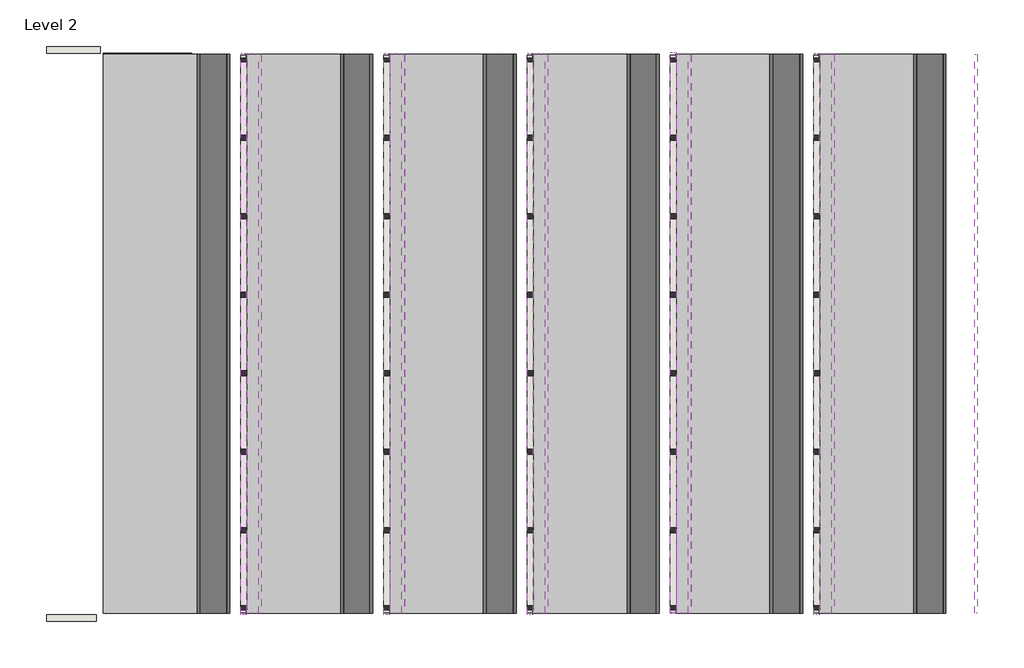
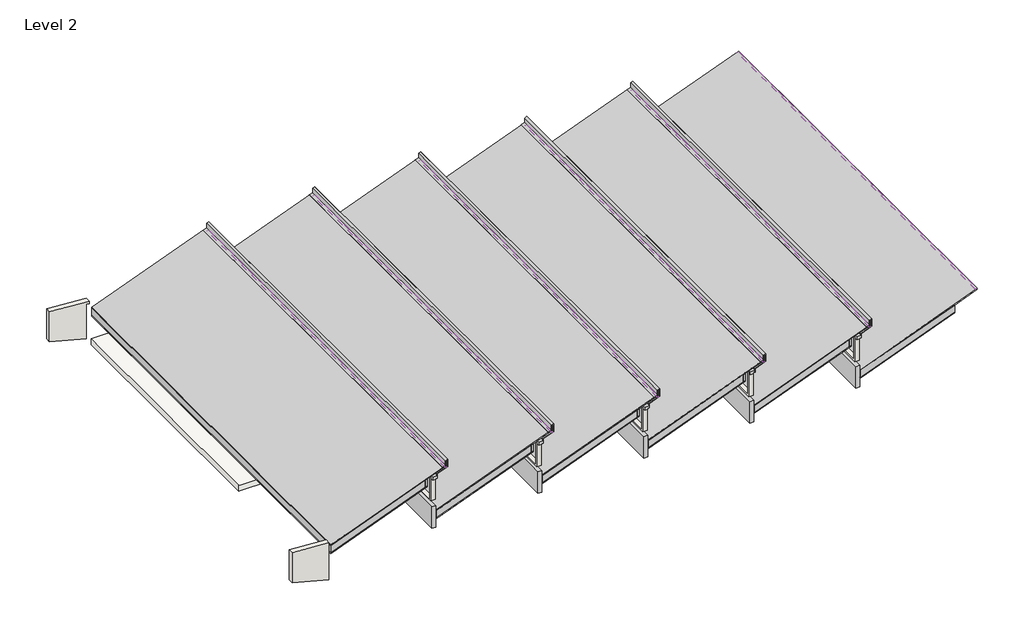
# One storey: 16 proxies, 7 roofs, 7 walls, 5 beams.
"""IFC4 building model written with IfcOpenShell, lengths in millimetres."""

import ifcopenshell
import ifcopenshell.guid

model = None  # the IFC model being written
_history = None  # IfcOwnerHistory: only IFC2X3 demands one
_inside = {}  # id of a spatial element -> (the spatial element, [elements in it])
_under = {}  # id of a project, library or spatial element -> (it, [spatial elements below it])
_declared = {}  # id of a project -> (the project, [libraries it declares])
_typed = {}  # id of a type object -> (the type object, [elements of that type])
_made_of = {}  # id of a material, layer set ... -> (it, [elements and type objects made of it])


def new_model(schema):
    """Start an empty IFC model of exactly this schema.

    Asked for "IFC4X3", IfcOpenShell would pick the latest addendum, in which some entities
    have other attributes; the version numbers below select the first issue.
    IFC2X3 requires an IfcOwnerHistory on every rooted entity: one is made here for all.
    """
    global model, _history
    if schema == "IFC4X3":
        model = ifcopenshell.file(schema_version=(4, 3, 0, 0))
    else:
        model = ifcopenshell.file(schema=schema)
    _inside.clear()
    _under.clear()
    _declared.clear()
    _typed.clear()
    _made_of.clear()
    _history = None
    if model.schema == "IFC2X3":
        org = make("IfcOrganization", Name="unknown")
        user = make(
            "IfcPersonAndOrganization",
            ThePerson=make("IfcPerson", FamilyName="unknown"),
            TheOrganization=org,
        )
        app = make(
            "IfcApplication",
            ApplicationDeveloper=org,
            Version="unknown",
            ApplicationFullName="unknown",
            ApplicationIdentifier="unknown",
        )
        _history = make(
            "IfcOwnerHistory",
            OwningUser=user,
            OwningApplication=app,
            ChangeAction="ADDED",
            CreationDate=0,
        )
    return model


def make(cls, **values):
    """One entity of the class cls with the attributes given. An attribute that is None is left unset."""
    return model.create_entity(
        cls, **{name: value for name, value in values.items() if value is not None}
    )


def rooted(cls, **values):
    """An entity with a GlobalId (a new one), such as an element, a storey or a relation."""
    return make(cls, GlobalId=ifcopenshell.guid.new(), OwnerHistory=_history, **values)


def si_unit(unit_type, name, prefix=None):
    """IfcSIUnit, for example si_unit("LENGTHUNIT", "METRE", prefix="MILLI")."""
    return make("IfcSIUnit", UnitType=unit_type, Prefix=prefix, Name=name)


def assignment(units):
    """IfcUnitAssignment: the units of a project."""
    return None if units is None else make("IfcUnitAssignment", Units=units)


def point(xyz):
    """IfcCartesianPoint."""
    return None if xyz is None else make("IfcCartesianPoint", Coordinates=xyz)


def direction(xyz):
    """IfcDirection."""
    return None if xyz is None else make("IfcDirection", DirectionRatios=xyz)


def frame(location, z_axis=None, x_axis=None):
    """IfcAxis2Placement3D, a coordinate frame: its origin and axes. An axis left out is left unset."""
    return make(
        "IfcAxis2Placement3D",
        Location=point(location),
        Axis=direction(z_axis),
        RefDirection=direction(x_axis),
    )


def origin():
    """The frame at (0, 0, 0) with its axes left unset."""
    return frame((0.0, 0.0, 0.0))


def place(relative_to, where):
    """IfcLocalPlacement: puts the frame where relative to a parent placement (None: the world)."""
    return make(
        "IfcLocalPlacement", PlacementRelTo=relative_to, RelativePlacement=where
    )


def context(
    kind, dimensions, precision=None, world=None, true_north=None, identifier=None
):
    """IfcGeometricRepresentationContext, for example the 3D "Model" context."""
    return make(
        "IfcGeometricRepresentationContext",
        ContextIdentifier=identifier,
        ContextType=kind,
        CoordinateSpaceDimension=dimensions,
        Precision=precision,
        WorldCoordinateSystem=world,
        TrueNorth=true_north,
    )


def project(units=None, contexts=None):
    """IfcProject with its units and contexts."""
    return rooted(
        "IfcProject",
        Name="project",
        RepresentationContexts=contexts,
        UnitsInContext=assignment(units),
    )


def spatial(cls, under=None, at=None, **own):
    """A site, building, storey or space (cls), placed at a placement, below another one or the project."""
    s = rooted(cls, ObjectPlacement=at, **own)
    if under is not None:
        _under.setdefault(under.id(), (under, []))[1].append(s)
    return s


def polyline(points):
    """IfcPolyline through the points."""
    return make("IfcPolyline", Points=[point(p) for p in points])


def outline(outer, holes=None, kind="AREA"):
    """IfcArbitraryClosedProfileDef: a profile drawn as a closed curve; with holes, ...WithVoids."""
    if holes is None:
        return make("IfcArbitraryClosedProfileDef", ProfileType=kind, OuterCurve=outer)
    return make(
        "IfcArbitraryProfileDefWithVoids",
        ProfileType=kind,
        OuterCurve=outer,
        InnerCurves=holes,
    )


def extrude(swept, where, along, depth):
    """IfcExtrudedAreaSolid: the profile swept, set in the frame where, extruded along a direction by depth."""
    return make(
        "IfcExtrudedAreaSolid",
        SweptArea=swept,
        Position=where,
        ExtrudedDirection=direction(along),
        Depth=depth,
    )


def faces_of(points, faces, orient=None, outer=None):
    """IfcFace entities. A face is a list of loops; a loop is a list of indices into points, from 0.

    orient and outer hold one flag for each loop. By default every Orientation is true, the
    first loop of a face is its IfcFaceOuterBound and the others are IfcFaceBound.
    """
    made = []
    for i, loops in enumerate(faces):
        bounds = []
        for j, loop in enumerate(loops):
            is_outer = j == 0 if outer is None else outer[i][j]
            bounds.append(
                make(
                    "IfcFaceOuterBound" if is_outer else "IfcFaceBound",
                    Bound=make("IfcPolyLoop", Polygon=[points[k] for k in loop]),
                    Orientation=True if orient is None else orient[i][j],
                )
            )
        made.append(make("IfcFace", Bounds=bounds))
    return made


def faceted_brep(points, faces, orient=None, outer=None, voids=None):
    """IfcFacetedBrep: a solid bounded by flat faces; with voids (closed shells), ...WithVoids."""
    shared = [point(p) for p in points]
    hull = make("IfcClosedShell", CfsFaces=faces_of(shared, faces, orient, outer))
    if voids is None:
        return make("IfcFacetedBrep", Outer=hull)
    return make(
        "IfcFacetedBrepWithVoids",
        Outer=hull,
        Voids=[
            make(cls, CfsFaces=faces_of(shared, fs, o, b)) for cls, fs, o, b in voids
        ],
    )


def shape(context_of_items, identifier, shape_type, items):
    """IfcShapeRepresentation: the items that make up one representation, for example the "Body"."""
    return make(
        "IfcShapeRepresentation",
        ContextOfItems=context_of_items,
        RepresentationIdentifier=identifier,
        RepresentationType=shape_type,
        Items=items,
    )


def source(mapping_origin, context_of_items, identifier, shape_type, items):
    """IfcRepresentationMap: a shape defined once, which mapped items show again and again."""
    return make(
        "IfcRepresentationMap",
        MappingOrigin=mapping_origin,
        MappedRepresentation=shape(context_of_items, identifier, shape_type, items),
    )


def transform(
    local_origin,
    x_axis=None,
    y_axis=None,
    z_axis=None,
    scale=None,
    scale2=None,
    scale3=None,
    uniform=True,
):
    """IfcCartesianTransformationOperator3D, or its non-uniform kind. x_axis, y_axis, z_axis: its Axis1, 2, 3."""
    if uniform:
        return make(
            "IfcCartesianTransformationOperator3D",
            Axis1=direction(x_axis),
            Axis2=direction(y_axis),
            LocalOrigin=point(local_origin),
            Scale=scale,
            Axis3=direction(z_axis),
        )
    return make(
        "IfcCartesianTransformationOperator3DnonUniform",
        Axis1=direction(x_axis),
        Axis2=direction(y_axis),
        LocalOrigin=point(local_origin),
        Scale=scale,
        Axis3=direction(z_axis),
        Scale2=scale2,
        Scale3=scale3,
    )


def mapped(mapping_source, mapping_target):
    """IfcMappedItem: shows the shape of a source again, moved by a transform."""
    return make(
        "IfcMappedItem", MappingSource=mapping_source, MappingTarget=mapping_target
    )


def made_of(thing, what):
    """Note that an element or type object is made of a material, layer set ...; save() writes the relation."""
    if what is not None:
        _made_of.setdefault(what.id(), (what, []))[1].append(thing)
    return thing


def element(
    cls,
    number,
    at=None,
    inside=None,
    cuts=None,
    type_object=None,
    material=None,
    context=None,
    identifier="Body",
    shape_type=None,
    held_by="IfcProductDefinitionShape",
    body=None,
    shapes=None,
    **own,
):
    """One element of the class cls, such as IfcWall. Its Tag is "e" and its number.

    at: its placement. inside: the storey or other place that contains it. cuts: it is an
    opening in that element (IfcRelVoidsElement). A single representation is given by context,
    identifier, shape_type and body (its items); several are given by shapes. held_by: the class
    of the entity that holds the representations. save() writes the other relations.
    """
    e = rooted(cls, Tag="e%d" % number, ObjectPlacement=at, **own)
    if body is not None:
        shapes = [shape(context, identifier, shape_type, body)]
    if shapes is not None:
        e.Representation = make(held_by, Representations=shapes)
    if inside is not None:
        _inside.setdefault(inside.id(), (inside, []))[1].append(e)
    if cuts is not None:
        rooted(
            "IfcRelVoidsElement", RelatingBuildingElement=cuts, RelatedOpeningElement=e
        )
    if type_object is not None:
        _typed.setdefault(type_object.id(), (type_object, []))[1].append(e)
    return made_of(e, material)


def aggregate(whole, parts):
    """IfcRelAggregates: a whole, such as a stair, and the parts it consists of."""
    return rooted("IfcRelAggregates", RelatingObject=whole, RelatedObjects=parts)


def save(model, path):
    """Write the relations noted so far, then the file.

    IfcRelAggregates (storeys below a building ...), IfcRelContainedInSpatialStructure (elements
    in a storey), IfcRelDefinesByType, IfcRelAssociatesMaterial and IfcRelDeclares: one each for
    every whole, place, type object, material and project.
    """
    for whole, parts in _under.values():
        aggregate(whole, parts)
    for where, things in _inside.values():
        rooted(
            "IfcRelContainedInSpatialStructure",
            RelatedElements=things,
            RelatingStructure=where,
        )
    for kind, things in _typed.values():
        rooted("IfcRelDefinesByType", RelatedObjects=things, RelatingType=kind)
    for what, things in _made_of.values():
        rooted("IfcRelAssociatesMaterial", RelatedObjects=things, RelatingMaterial=what)
    for by, libraries in _declared.values():
        rooted("IfcRelDeclares", RelatingContext=by, RelatedDefinitions=libraries)
    model.write(path)


def glulam_western_species_3_125x18_1ad58a0e(model_context):
    return source(origin(), model_context, "Body", "SweptSolid", [
        extrude(outline(polyline([(4149.7074774, 39.6875), (4149.7074774, -39.6875), (-4149.7074774, -39.6875), (-4149.7074774, 39.6875), (4149.7074774, 39.6875)])), frame((0.0, 0.0, -228.6), z_axis=(0.0, 0.0, 1.0), x_axis=(1.0, 0.0, 0.0)), (0.0, 0.0, 1.0), 457.2),
    ])


def glulam_western_species_3_125x18_0cab02f5(model_context):
    return source(origin(), model_context, "Body", "SweptSolid", [
        extrude(outline(polyline([(4149.6899548, 39.6875), (4149.6899548, -39.6875), (-4149.6899548, -39.6875), (-4149.6899548, 39.6875), (4149.6899548, 39.6875)])), frame((0.0, 0.0, -228.6), z_axis=(0.0, 0.0, 1.0), x_axis=(1.0, 0.0, 0.0)), (0.0, 0.0, 1.0), 457.2),
    ])


def clerestory_3x4_rabbet_clerestory_3x4_rabbet_1a866c63(model_context):
    return source(origin(), model_context, "Body", "SweptSolid", [
        extrude(outline(polyline([(0.0, 88.9), (0.0, 0.0), (-63.5, 0.0), (-63.5, 57.15), (-47.625, 57.15), (-47.625, 88.9), (0.0, 88.9)])), frame((0.0, -4178.3, 0.0), z_axis=(0.0, 1.0, 0.0), x_axis=(0.0, 0.0, 1.0)), (0.0, 0.0, 1.0), 8356.6),
    ])


model = new_model("IFC4")

# Units and contexts
model_context = context("Model", 3, world=origin())
ifc_project = project(units=[si_unit("LENGTHUNIT", "METRE", prefix="MILLI")], contexts=[model_context])

# Site, building, storey
site = spatial("IfcSite", under=ifc_project)
building = spatial("IfcBuilding", under=site)
storey = spatial("IfcBuildingStorey", under=building, Name="Level 2", Elevation=3048.0)

# Beams
placement = place(None, origin())
glulam_western_species_3_125x18_shape = glulam_western_species_3_125x18_1ad58a0e(model_context)
element("IfcBeam", 1, ObjectType="Glulam-Western Species : 3.125x18", at=placement, inside=storey, context=model_context, shape_type="MappedRepresentation", body=[
    mapped(glulam_western_species_3_125x18_shape, transform((16142.8155483, -5322.5069654, 3565.4869205), x_axis=(0.0, -1.0, 0.0), y_axis=(1.0, 0.0, 0.0), z_axis=(0.0, 0.0, 1.0))),
])
element("IfcBeam", 2, ObjectType="Glulam-Western Species : 3.125x18", at=placement, inside=storey, context=model_context, shape_type="MappedRepresentation", body=[
    mapped(glulam_western_species_3_125x18_shape, transform((18276.4155483, -5322.5069654, 3565.4869205), x_axis=(0.0, -1.0, 0.0), y_axis=(1.0, 0.0, 0.0), z_axis=(0.0, 0.0, 1.0))),
])
element("IfcBeam", 3, ObjectType="Glulam-Western Species : 3.125x18", at=placement, inside=storey, context=model_context, shape_type="MappedRepresentation", body=[
    mapped(glulam_western_species_3_125x18_shape, transform((14009.2155483, -5322.5069654, 3565.4869205), x_axis=(0.0, -1.0, 0.0), y_axis=(1.0, 0.0, 0.0), z_axis=(0.0, 0.0, 1.0))),
])
glulam_western_species_3_125x18_2_shape = glulam_western_species_3_125x18_0cab02f5(model_context)
element("IfcBeam", 4, ObjectType="Glulam-Western Species : 3.125x18", at=placement, inside=storey, context=model_context, shape_type="MappedRepresentation", body=[
    mapped(glulam_western_species_3_125x18_2_shape, transform((11875.6155483, -5322.524488, 3565.4869205), x_axis=(0.0, -1.0, 0.0), y_axis=(1.0, 0.0, 0.0), z_axis=(0.0, 0.0, 1.0))),
])
element("IfcBeam", 5, ObjectType="Glulam-Western Species : 3.125x18", at=placement, inside=storey, context=model_context, shape_type="MappedRepresentation", body=[
    mapped(glulam_western_species_3_125x18_2_shape, transform((9742.0155483, -5322.524488, 3565.4869205), x_axis=(0.0, -1.0, 0.0), y_axis=(1.0, 0.0, 0.0), z_axis=(0.0, 0.0, 1.0))),
])

# Proxies
element("IfcBuildingElementProxy", 6, Name="Mass", at=placement, inside=storey, context=model_context, shape_type="SolidModel", body=[
    extrude(outline(polyline([(3541.1142476, 14048.9030483), (3524.115796, 14048.9030483), (4270.9968178, 15999.939187), (4287.9952694, 15999.939187), (3541.1142476, 14048.9030483)])), frame((0.0, -9484.9144428, 0.0), z_axis=(0.0, 1.0, 0.0), x_axis=(0.0, 0.0, 1.0)), (0.0, 0.0, 1.0), 8324.85),
    extrude(outline(polyline([(3690.700622, 14048.9030483), (3541.1142476, 14048.9030483), (4287.9952694, 15999.939187), (4437.5816439, 15999.939187), (3690.700622, 14048.9030483)])), frame((0.0, -9484.9144428, 0.0), z_axis=(0.0, 1.0, 0.0), x_axis=(0.0, 0.0, 1.0)), (0.0, 0.0, 1.0), 8324.85),
    faceted_brep([(14048.9030483, -1160.0644428, 3711.098764), (14048.9030483, -9484.9144428, 3711.098764), (16370.9807474, -9484.9144428, 4600.0191332), (16370.9807474, -1160.0644428, 4600.0191332), (14048.9030483, -9484.9144428, 3690.700622), (14048.9030483, -1160.0644428, 3690.700622), (15999.939187, -1160.0644428, 4437.5816439), (16370.9807474, -1160.0644428, 4579.6209912), (16370.9807474, -9484.9144428, 4579.6209912), (15999.939187, -9484.9144428, 4437.5816439)], [[[0, 1, 2, 3]], [[4, 5, 6, 7, 8, 9]], [[5, 0, 3, 7, 6]], [[1, 4, 9, 8, 2]], [[1, 0, 5, 4]], [[3, 2, 8, 7]]]),
])
element("IfcBuildingElementProxy", 7, Name="Mass", at=placement, inside=storey, context=model_context, shape_type="SolidModel", body=[
    extrude(outline(polyline([(3540.9744635, 18316.1030483), (3523.9760118, 18316.1030483), (4250.802965, 20214.7530483), (4267.8014166, 20214.7530483), (3540.9744635, 18316.1030483)])), frame((0.0, -9484.9144428, 0.0), z_axis=(0.0, 1.0, 0.0), x_axis=(0.0, 0.0, 1.0)), (0.0, 0.0, 1.0), 8324.85),
    extrude(outline(polyline([(3690.5608379, 18316.1030483), (3540.9744635, 18316.1030483), (4267.8014166, 20214.7530483), (4417.387791, 20214.7530483), (3690.5608379, 18316.1030483)])), frame((0.0, -9484.9144428, 0.0), z_axis=(0.0, 1.0, 0.0), x_axis=(0.0, 0.0, 1.0)), (0.0, 0.0, 1.0), 8324.85),
    faceted_brep([(18316.1030483, -1160.0644428, 3710.9589799), (18316.1030483, -9484.9144428, 3710.9589799), (20674.6932474, -9484.9144428, 4613.8567905), (20674.6932474, -1160.0644428, 4613.8567905), (18316.1030483, -9484.9144428, 3690.5608379), (18316.1030483, -1160.0644428, 3690.5608379), (20214.7530483, -1160.0644428, 4417.387791), (20674.6932474, -1160.0644428, 4593.4586485), (20674.6932474, -9484.9144428, 4593.4586485), (20214.7530483, -9484.9144428, 4417.387791)], [[[0, 1, 2, 3]], [[4, 5, 6, 7, 8, 9]], [[5, 0, 3, 7, 6]], [[1, 4, 9, 8, 2]], [[1, 0, 5, 4]], [[3, 2, 8, 7]]]),
])
element("IfcBuildingElementProxy", 8, Name="Mass", at=placement, inside=storey, context=model_context, shape_type="SolidModel", body=[
    extrude(outline(polyline([(3541.1142476, 16182.5030483), (3524.115796, 16182.5030483), (4270.9968178, 18133.539187), (4287.9952694, 18133.539187), (3541.1142476, 16182.5030483)])), frame((0.0, -9484.9144428, 0.0), z_axis=(0.0, 1.0, 0.0), x_axis=(0.0, 0.0, 1.0)), (0.0, 0.0, 1.0), 8324.85),
    extrude(outline(polyline([(3690.700622, 16182.5030483), (3541.1142476, 16182.5030483), (4287.9952694, 18133.539187), (4437.5816439, 18133.539187), (3690.700622, 16182.5030483)])), frame((0.0, -9484.9144428, 0.0), z_axis=(0.0, 1.0, 0.0), x_axis=(0.0, 0.0, 1.0)), (0.0, 0.0, 1.0), 8324.85),
    faceted_brep([(16182.5030483, -1160.0644428, 3711.098764), (16182.5030483, -9484.9144428, 3711.098764), (18504.5807474, -9484.9144428, 4600.0191332), (18504.5807474, -1160.0644428, 4600.0191332), (16182.5030483, -9484.9144428, 3690.700622), (16182.5030483, -1160.0644428, 3690.700622), (18133.539187, -1160.0644428, 4437.5816439), (18504.5807474, -1160.0644428, 4579.6209912), (18504.5807474, -9484.9144428, 4579.6209912), (18133.539187, -9484.9144428, 4437.5816439)], [[[0, 1, 2, 3]], [[4, 5, 6, 7, 8, 9]], [[5, 0, 3, 7, 6]], [[1, 4, 9, 8, 2]], [[1, 0, 5, 4]], [[3, 2, 8, 7]]]),
])
element("IfcBuildingElementProxy", 9, Name="Mass", at=placement, inside=storey, context=model_context, shape_type="SolidModel", body=[
    extrude(outline(polyline([(3541.1142476, 11915.3030483), (3524.115796, 11915.3030483), (4270.9968178, 13866.339187), (4287.9952694, 13866.339187), (3541.1142476, 11915.3030483)])), frame((0.0, -9484.9144428, 0.0), z_axis=(0.0, 1.0, 0.0), x_axis=(0.0, 0.0, 1.0)), (0.0, 0.0, 1.0), 8324.85),
    extrude(outline(polyline([(3690.700622, 11915.3030483), (3541.1142476, 11915.3030483), (4287.9952694, 13866.339187), (4437.5816439, 13866.339187), (3690.700622, 11915.3030483)])), frame((0.0, -9484.9144428, 0.0), z_axis=(0.0, 1.0, 0.0), x_axis=(0.0, 0.0, 1.0)), (0.0, 0.0, 1.0), 8324.85),
    faceted_brep([(11915.3030483, -1160.0644428, 3711.098764), (11915.3030483, -9484.9144428, 3711.098764), (14237.3807474, -9484.9144428, 4600.0191332), (14237.3807474, -1160.0644428, 4600.0191332), (11915.3030483, -9484.9144428, 3690.700622), (11915.3030483, -1160.0644428, 3690.700622), (13866.339187, -1160.0644428, 4437.5816439), (14237.3807474, -1160.0644428, 4579.6209912), (14237.3807474, -9484.9144428, 4579.6209912), (13866.339187, -9484.9144428, 4437.5816439)], [[[0, 1, 2, 3]], [[4, 5, 6, 7, 8, 9]], [[5, 0, 3, 7, 6]], [[1, 4, 9, 8, 2]], [[1, 0, 5, 4]], [[3, 2, 8, 7]]]),
])
element("IfcBuildingElementProxy", 10, Name="Mass", at=placement, inside=storey, context=model_context, shape_type="SolidModel", body=[
    extrude(outline(polyline([(3541.1142476, 9781.7030483), (3524.115796, 9781.7030483), (4270.9968178, 11732.739187), (4287.9952694, 11732.739187), (3541.1142476, 9781.7030483)])), frame((0.0, -9484.9144428, 0.0), z_axis=(0.0, 1.0, 0.0), x_axis=(0.0, 0.0, 1.0)), (0.0, 0.0, 1.0), 8324.85),
    extrude(outline(polyline([(3690.700622, 9781.7030483), (3541.1142476, 9781.7030483), (4287.9952694, 11732.739187), (4437.5816439, 11732.739187), (3690.700622, 9781.7030483)])), frame((0.0, -9484.9144428, 0.0), z_axis=(0.0, 1.0, 0.0), x_axis=(0.0, 0.0, 1.0)), (0.0, 0.0, 1.0), 8324.85),
    faceted_brep([(9781.7030483, -1160.0644428, 3711.098764), (9781.7030483, -9484.9144428, 3711.098764), (12103.7807474, -9484.9144428, 4600.0191332), (12103.7807474, -1160.0644428, 4600.0191332), (9781.7030483, -9484.9144428, 3690.700622), (9781.7030483, -1160.0644428, 3690.700622), (11732.739187, -1160.0644428, 4437.5816439), (12103.7807474, -1160.0644428, 4579.6209912), (12103.7807474, -9484.9144428, 4579.6209912), (11732.739187, -9484.9144428, 4437.5816439)], [[[0, 1, 2, 3]], [[4, 5, 6, 7, 8, 9]], [[5, 0, 3, 7, 6]], [[1, 4, 9, 8, 2]], [[1, 0, 5, 4]], [[3, 2, 8, 7]]]),
])
element("IfcBuildingElementProxy", 11, Name="Mass", at=placement, inside=storey, context=model_context, shape_type="SolidModel", body=[
    extrude(outline(polyline([(3544.7605367, 7657.6280483), (3527.762085, 7657.6280483), (4270.9968178, 9599.139187), (4287.9952694, 9599.139187), (3544.7605367, 7657.6280483)])), frame((0.0, -9484.9144428, 0.0), z_axis=(0.0, 1.0, 0.0), x_axis=(0.0, 0.0, 1.0)), (0.0, 0.0, 1.0), 8324.85),
    extrude(outline(polyline([(3694.3469111, 7657.6280483), (3544.7605367, 7657.6280483), (4287.9952694, 9599.139187), (4437.5816439, 9599.139187), (3694.3469111, 7657.6280483)])), frame((0.0, -9484.9144428, 0.0), z_axis=(0.0, 1.0, 0.0), x_axis=(0.0, 0.0, 1.0)), (0.0, 0.0, 1.0), 8324.85),
    faceted_brep([(7657.6280483, -1160.0644428, 3714.745053), (7657.6280483, -9484.9144428, 3714.745053), (9970.1807474, -9484.9144428, 4600.0191332), (9970.1807474, -1160.0644428, 4600.0191332), (7657.6280483, -9484.9144428, 3694.3469111), (7657.6280483, -1160.0644428, 3694.3469111), (9599.139187, -1160.0644428, 4437.5816439), (9970.1807474, -1160.0644428, 4579.6209912), (9970.1807474, -9484.9144428, 4579.6209912), (9599.139187, -9484.9144428, 4437.5816439)], [[[0, 1, 2, 3]], [[4, 5, 6, 7, 8, 9]], [[5, 0, 3, 7, 6]], [[1, 4, 9, 8, 2]], [[1, 0, 5, 4]], [[3, 2, 8, 7]]]),
])
clerestory_3x4_rabbet_clerestory_3x4_rabbet_shape = clerestory_3x4_rabbet_clerestory_3x4_rabbet_1a866c63(model_context)
element("IfcBuildingElementProxy", 12, Name="CLERESTORY 3X4 RABBET : CLERESTORY 3X4 RABBET", ObjectType="CLERESTORY 3X4 RABBET : CLERESTORY 3X4 RABBET", at=placement, inside=storey, context=model_context, shape_type="MappedRepresentation", body=[
    mapped(clerestory_3x4_rabbet_clerestory_3x4_rabbet_shape, transform((16103.1280483, -5306.4290621, 4441.7869205), x_axis=(1.0, 0.0, 0.0), y_axis=(0.0, 1.0, 0.0), z_axis=(0.0, 0.0, 1.0))),
])
element("IfcBuildingElementProxy", 13, Name="CLERESTORY 3X4 RABBET : CLERESTORY 3X4 RABBET", ObjectType="CLERESTORY 3X4 RABBET : CLERESTORY 3X4 RABBET", at=placement, inside=storey, context=model_context, shape_type="MappedRepresentation", body=[
    mapped(clerestory_3x4_rabbet_clerestory_3x4_rabbet_shape, transform((13969.5280483, -5322.3040621, 4441.825), x_axis=(1.0, 0.0, 0.0), y_axis=(0.0, 1.0, 0.0), z_axis=(0.0, 0.0, 1.0))),
])
element("IfcBuildingElementProxy", 14, Name="CLERESTORY 3X4 RABBET : CLERESTORY 3X4 RABBET", ObjectType="CLERESTORY 3X4 RABBET : CLERESTORY 3X4 RABBET", at=placement, inside=storey, context=model_context, shape_type="MappedRepresentation", body=[
    mapped(clerestory_3x4_rabbet_clerestory_3x4_rabbet_shape, transform((11835.9280483, -5322.5595331, 4441.825), x_axis=(1.0, 0.0, 0.0), y_axis=(0.0, 1.0, 0.0), z_axis=(0.0, 0.0, 1.0))),
])
element("IfcBuildingElementProxy", 15, Name="CLERESTORY 3X4 RABBET : CLERESTORY 3X4 RABBET", ObjectType="CLERESTORY 3X4 RABBET : CLERESTORY 3X4 RABBET", at=placement, inside=storey, context=model_context, shape_type="MappedRepresentation", body=[
    mapped(clerestory_3x4_rabbet_clerestory_3x4_rabbet_shape, transform((9702.3280483, -5322.3040621, 4441.825), x_axis=(1.0, 0.0, 0.0), y_axis=(0.0, 1.0, 0.0), z_axis=(0.0, 0.0, 1.0))),
])
element("IfcBuildingElementProxy", 16, Name="CLERESTORY 3X4 RABBET : CLERESTORY 3X4 RABBET", ObjectType="CLERESTORY 3X4 RABBET : CLERESTORY 3X4 RABBET", at=placement, inside=storey, context=model_context, shape_type="MappedRepresentation", body=[
    mapped(clerestory_3x4_rabbet_clerestory_3x4_rabbet_shape, transform((18236.7280483, -5322.524488, 4441.825), x_axis=(1.0, 0.0, 0.0), y_axis=(0.0, 1.0, 0.0), z_axis=(0.0, 0.0, 1.0))),
])
element("IfcBuildingElementProxy", 17, Name="Mass 2 : Mass 2", ObjectType="Mass 2 : Mass 2", at=placement, inside=storey, context=model_context, shape_type="SweptSolid", body=[
    extrude(outline(polyline([(4437.2526676, 15999.0798203), (4422.6675113, 15960.9798203), (4273.0811369, 15960.9798203), (4287.6662931, 15999.0798203), (4437.2526676, 15999.0798203)])), frame((0.0, -9484.9144428, 0.0), z_axis=(0.0, 1.0, 0.0), x_axis=(0.0, 0.0, 1.0)), (0.0, 0.0, 1.0), 8324.8149548),
    extrude(outline(polyline([(4472.1311468, 16197.2689066), (4393.4617022, 16197.2689066), (4393.4617022, 16200.4439066), (4469.9490297, 16200.4439066), (4551.2559776, 16412.2557474), (4714.4107386, 16412.2557474), (4697.394723, 16367.8057474), (4602.2148597, 16367.8057474), (4577.4730414, 16302.2143982), (4574.5023619, 16303.334973), (4600.0191332, 16370.9807474), (4695.2104624, 16370.9807474), (4709.7956186, 16409.0807474), (4553.4380947, 16409.0807474), (4472.1311468, 16197.2689066)])), frame((0.0, -9484.9144428, 0.0), z_axis=(0.0, 1.0, 0.0), x_axis=(0.0, 0.0, 1.0)), (0.0, 0.0, 1.0), 8324.8149548),
])
element("IfcBuildingElementProxy", 18, Name="Mass 3 : Mass 2", ObjectType="Mass 3 : Mass 2", at=placement, inside=storey, context=model_context, shape_type="SweptSolid", body=[
    extrude(outline(polyline([(4437.1327178, 13865.1664821), (4422.5475615, 13827.0664821), (4272.9611871, 13827.0664821), (4287.5463434, 13865.1664821), (4437.1327178, 13865.1664821)])), frame((0.0, -9484.9144428, 0.0), z_axis=(0.0, 1.0, 0.0), x_axis=(0.0, 0.0, 1.0)), (0.0, 0.0, 1.0), 8324.8149548),
    extrude(outline(polyline([(4472.011197, 14063.3555684), (4393.3417524, 14063.3555684), (4393.3417524, 14066.5305684), (4469.82908, 14066.5305684), (4551.1360278, 14278.3424092), (4714.2907888, 14278.3424092), (4697.2747732, 14233.8924092), (4602.0949099, 14233.8924092), (4577.3530917, 14168.30106), (4574.3824121, 14169.4216348), (4599.8991834, 14237.0674092), (4695.0905126, 14237.0674092), (4709.6756688, 14275.1674092), (4553.3181449, 14275.1674092), (4472.011197, 14063.3555684)])), frame((0.0, -9484.9144428, 0.0), z_axis=(0.0, 1.0, 0.0), x_axis=(0.0, 0.0, 1.0)), (0.0, 0.0, 1.0), 8324.8149548),
])
element("IfcBuildingElementProxy", 19, Name="Mass 4 : Mass 2", ObjectType="Mass 4 : Mass 2", at=placement, inside=storey, context=model_context, shape_type="SweptSolid", body=[
    extrude(outline(polyline([(4437.1327178, 11731.5664821), (4422.5475615, 11693.4664821), (4272.9611871, 11693.4664821), (4287.5463434, 11731.5664821), (4437.1327178, 11731.5664821)])), frame((0.0, -9484.9144428, 0.0), z_axis=(0.0, 1.0, 0.0), x_axis=(0.0, 0.0, 1.0)), (0.0, 0.0, 1.0), 8324.8149548),
    extrude(outline(polyline([(4472.011197, 11929.7555684), (4393.3417524, 11929.7555684), (4393.3417524, 11932.9305684), (4469.82908, 11932.9305684), (4551.1360278, 12144.7424092), (4714.2907888, 12144.7424092), (4697.2747732, 12100.2924092), (4602.0949099, 12100.2924092), (4577.3530917, 12034.70106), (4574.3824121, 12035.8216348), (4599.8991834, 12103.4674092), (4695.0905126, 12103.4674092), (4709.6756688, 12141.5674092), (4553.3181449, 12141.5674092), (4472.011197, 11929.7555684)])), frame((0.0, -9484.9144428, 0.0), z_axis=(0.0, 1.0, 0.0), x_axis=(0.0, 0.0, 1.0)), (0.0, 0.0, 1.0), 8324.8149548),
])
element("IfcBuildingElementProxy", 20, Name="Mass 5 : Mass 2", ObjectType="Mass 5 : Mass 2", at=placement, inside=storey, context=model_context, shape_type="SweptSolid", body=[
    extrude(outline(polyline([(4437.1327178, 9597.9664821), (4422.5475615, 9559.8664821), (4272.9611871, 9559.8664821), (4287.5463434, 9597.9664821), (4437.1327178, 9597.9664821)])), frame((0.0, -9484.9144428, 0.0), z_axis=(0.0, 1.0, 0.0), x_axis=(0.0, 0.0, 1.0)), (0.0, 0.0, 1.0), 8324.8149548),
    extrude(outline(polyline([(4472.011197, 9796.1555684), (4393.3417524, 9796.1555684), (4393.3417524, 9799.3305684), (4469.82908, 9799.3305684), (4551.1360278, 10011.1424092), (4714.2907888, 10011.1424092), (4697.2747732, 9966.6924092), (4602.0949099, 9966.6924092), (4577.3530917, 9901.10106), (4574.3824121, 9902.2216348), (4599.8991834, 9969.8674092), (4695.0905126, 9969.8674092), (4709.6756688, 10007.9674092), (4553.3181449, 10007.9674092), (4472.011197, 9796.1555684)])), frame((0.0, -9484.9144428, 0.0), z_axis=(0.0, 1.0, 0.0), x_axis=(0.0, 0.0, 1.0)), (0.0, 0.0, 1.0), 8324.8149548),
])
element("IfcBuildingElementProxy", 21, Name="Mass 6 : Mass 2", ObjectType="Mass 6 : Mass 2", at=placement, inside=storey, context=model_context, shape_type="SweptSolid", body=[
    extrude(outline(polyline([(4437.1327178, 18132.3664821), (4422.5475615, 18094.2664821), (4272.9611871, 18094.2664821), (4287.5463434, 18132.3664821), (4437.1327178, 18132.3664821)])), frame((0.0, -9484.9144428, 0.0), z_axis=(0.0, 1.0, 0.0), x_axis=(0.0, 0.0, 1.0)), (0.0, 0.0, 1.0), 8324.8149548),
    extrude(outline(polyline([(4472.011197, 18330.5555684), (4393.3417524, 18330.5555684), (4393.3417524, 18333.7305684), (4469.82908, 18333.7305684), (4551.1360278, 18545.5424092), (4714.2907888, 18545.5424092), (4697.2747732, 18501.0924092), (4602.0949099, 18501.0924092), (4577.3530917, 18435.50106), (4574.3824121, 18436.6216348), (4599.8991834, 18504.2674092), (4695.0905126, 18504.2674092), (4709.6756688, 18542.3674092), (4553.3181449, 18542.3674092), (4472.011197, 18330.5555684)])), frame((0.0, -9484.9144428, 0.0), z_axis=(0.0, 1.0, 0.0), x_axis=(0.0, 0.0, 1.0)), (0.0, 0.0, 1.0), 8324.8149548),
])

# Roofs
element("IfcRoof", 22, at=placement, inside=storey, context=model_context, shape_type="Brep", body=[
    faceted_brep([(8975.2530483, -6284.5144428, 2914.65), (8870.4780483, -6284.5144428, 2914.65), (7673.5030483, -6284.5144428, 2914.65), (7657.6280483, -6284.5144428, 2914.65), (7657.6280483, -1160.1345331, 2914.65), (7657.6280483, -1144.2595331, 2914.65), (8975.2530483, -1144.2595331, 2914.65), (8975.2530483, -1160.1345331, 2914.65), (7657.6280483, -6284.5144428, 3035.3), (7673.5030483, -6284.5144428, 3035.3), (8870.4780483, -6284.5144428, 3035.3), (8975.2530483, -6284.5144428, 3035.3), (8975.2530483, -1160.1345331, 3035.3), (8975.2530483, -1144.2595331, 3035.3), (7657.6280483, -1144.2595331, 3035.3), (7657.6280483, -1160.1345331, 3035.3)], [[[0, 1, 2, 3, 4, 5, 6, 7]], [[8, 9, 10, 11, 12, 13, 14, 15]], [[11, 10, 9, 8, 3, 2, 1, 0]], [[13, 12, 11, 0, 7, 6]], [[8, 15, 14, 5, 4, 3]], [[14, 13, 6, 5]]]),
])
element("IfcRoof", 23, at=placement, inside=storey, context=model_context, shape_type="SweptSolid", body=[
    extrude(outline(polyline([(4709.6756688, 20675.9674092), (4695.0905126, 20637.8674092), (4599.8991834, 20637.8674092), (4614.4843396, 20675.9674092), (4709.6756688, 20675.9674092)])), frame((0.0, -9484.9144428, 0.0), z_axis=(0.0, 1.0, 0.0), x_axis=(0.0, 0.0, 1.0)), (0.0, 0.0, 1.0), 8324.8149548),
])
element("IfcRoof", 24, at=placement, inside=storey, context=model_context, shape_type="SweptSolid", body=[
    extrude(outline(polyline([(4702.8762882, 16409.0807474), (4688.2911319, 16370.9807474), (4538.7047575, 16370.9807474), (4553.2899137, 16409.0807474), (4702.8762882, 16409.0807474)])), frame((0.0, -9484.9144428, 0.0), z_axis=(0.0, 1.0, 0.0), x_axis=(0.0, 0.0, 1.0)), (0.0, 0.0, 1.0), 8324.8149548),
])
element("IfcRoof", 25, at=placement, inside=storey, context=model_context, shape_type="SweptSolid", body=[
    extrude(outline(polyline([(4702.8762882, 18542.3674092), (4688.2911319, 18504.2674092), (4538.7047575, 18504.2674092), (4553.2899137, 18542.3674092), (4702.8762882, 18542.3674092)])), frame((0.0, -9484.9144428, 0.0), z_axis=(0.0, 1.0, 0.0), x_axis=(0.0, 0.0, 1.0)), (0.0, 0.0, 1.0), 8324.8149548),
])
element("IfcRoof", 26, at=placement, inside=storey, context=model_context, shape_type="SweptSolid", body=[
    extrude(outline(polyline([(4702.8762882, 14275.1674092), (4688.2911319, 14237.0674092), (4538.7047575, 14237.0674092), (4553.2899137, 14275.1674092), (4702.8762882, 14275.1674092)])), frame((0.0, -9484.9144428, 0.0), z_axis=(0.0, 1.0, 0.0), x_axis=(0.0, 0.0, 1.0)), (0.0, 0.0, 1.0), 8324.8149548),
])
element("IfcRoof", 27, at=placement, inside=storey, context=model_context, shape_type="SweptSolid", body=[
    extrude(outline(polyline([(4702.8762882, 12141.5674092), (4688.2911319, 12103.4674092), (4538.7047575, 12103.4674092), (4553.2899137, 12141.5674092), (4702.8762882, 12141.5674092)])), frame((0.0, -9484.9144428, 0.0), z_axis=(0.0, 1.0, 0.0), x_axis=(0.0, 0.0, 1.0)), (0.0, 0.0, 1.0), 8324.8149548),
])
element("IfcRoof", 28, at=placement, inside=storey, context=model_context, shape_type="SweptSolid", body=[
    extrude(outline(polyline([(4702.8762882, 10007.9674092), (4688.2911319, 9969.8674092), (4538.7047575, 9969.8674092), (4553.2899137, 10007.9674092), (4702.8762882, 10007.9674092)])), frame((0.0, -9484.9144428, 0.0), z_axis=(0.0, 1.0, 0.0), x_axis=(0.0, 0.0, 1.0)), (0.0, 0.0, 1.0), 8324.8149548),
])

# Walls
element("IfcWall", 29, ObjectType="4\"wall for vent", at=placement, inside=storey, context=model_context, shape_type="SweptSolid", body=[
    extrude(outline(polyline([(3861.1147412, 7556.0280483), (3910.2296521, 6813.0780483), (3275.7026778, 6813.0780483), (3075.5273552, 7556.0280483), (3861.1147412, 7556.0280483)])), frame((0.0, -9602.3894428, 0.0), z_axis=(0.0, 1.0, 0.0), x_axis=(0.0, 0.0, 1.0)), (0.0, 0.0, 1.0), 101.6),
])
element("IfcWall", 30, ObjectType="4\"wall for vent", at=placement, inside=storey, context=model_context, shape_type="SweptSolid", body=[
    extrude(outline(polyline([(3857.2317248, 7614.7655483), (3910.2296521, 6813.0780483), (3275.7026778, 6813.0780483), (3075.5273552, 7556.0280483), (3804.3445313, 7556.0280483), (3804.3445313, 7614.7655483), (3857.2317248, 7614.7655483)])), frame((0.0, -1144.1894428, 0.0), z_axis=(0.0, 1.0, 0.0), x_axis=(0.0, 0.0, 1.0)), (0.0, 0.0, 1.0), 101.6),
])
element("IfcWall", 31, ObjectType="Generic - 3.5\"", at=placement, inside=storey, context=model_context, shape_type="SweptSolid", body=[
    extrude(outline(polyline([(-1213.7026553, 3876.8921521), (-9431.2762303, 3876.8921521), (-9431.2762303, 4436.2302503), (-1213.7026553, 4436.2302503), (-1213.7026553, 3876.8921521)]), holes=[polyline([(-8281.5894428, 3910.2109375), (-8281.5894428, 4392.8109375), (-9373.7894428, 4392.8109375), (-9373.7894428, 3910.2109375), (-8281.5894428, 3910.2109375)]), polyline([(-7113.4877419, 3910.2109375), (-7113.4877419, 4392.8109375), (-8205.6877419, 4392.8109375), (-8205.6877419, 3910.2109375), (-7113.4877419, 3910.2109375)]), polyline([(-5944.7894428, 3910.2109375), (-5944.7894428, 4392.8109375), (-7036.9894428, 4392.8109375), (-7036.9894428, 3910.2109375), (-5944.7894428, 3910.2109375)]), polyline([(-4776.3894428, 3910.2109375), (-4776.3894428, 4392.8109375), (-5868.5894428, 4392.8109375), (-5868.5894428, 3910.2109375), (-4776.3894428, 3910.2109375)]), polyline([(-3607.9894428, 3910.2109375), (-3607.9894428, 4392.8109375), (-4700.1894428, 4392.8109375), (-4700.1894428, 3910.2109375), (-3607.9894428, 3910.2109375)]), polyline([(-2439.5894428, 3910.2109375), (-2439.5894428, 4392.8109375), (-3531.7894428, 4392.8109375), (-3531.7894428, 3910.2109375), (-2439.5894428, 3910.2109375)]), polyline([(-1271.1894428, 3910.2109375), (-1271.1894428, 4392.8109375), (-2363.3894428, 4392.8109375), (-2363.3894428, 3910.2109375), (-1271.1894428, 3910.2109375)])]), frame((16103.1280483, 0.0, 0.0), z_axis=(1.0, 0.0, 0.0), x_axis=(0.0, 1.0, 0.0)), (0.0, 0.0, 1.0), 88.9),
])
element("IfcWall", 32, ObjectType="Generic - 3.5\"", at=placement, inside=storey, context=model_context, shape_type="SweptSolid", body=[
    extrude(outline(polyline([(-1213.7026553, 3876.8921521), (-9431.2762303, 3876.8921521), (-9431.2762303, 4397.9432554), (-1213.7026553, 4397.9432554), (-1213.7026553, 3876.8921521)]), holes=[polyline([(-8281.5894428, 3910.2109375), (-8281.5894428, 4392.8109375), (-9373.7894428, 4392.8109375), (-9373.7894428, 3910.2109375), (-8281.5894428, 3910.2109375)]), polyline([(-7113.1894428, 3910.2109375), (-7113.1894428, 4392.8109375), (-8205.3894428, 4392.8109375), (-8205.3894428, 3910.2109375), (-7113.1894428, 3910.2109375)]), polyline([(-5944.7894428, 3910.2109375), (-5944.7894428, 4392.8109375), (-7036.9894428, 4392.8109375), (-7036.9894428, 3910.2109375), (-5944.7894428, 3910.2109375)]), polyline([(-4776.3894428, 3910.2109375), (-4776.3894428, 4392.8109375), (-5868.5894428, 4392.8109375), (-5868.5894428, 3910.2109375), (-4776.3894428, 3910.2109375)]), polyline([(-3607.9894428, 3910.2109375), (-3607.9894428, 4392.8109375), (-4700.1894428, 4392.8109375), (-4700.1894428, 3910.2109375), (-3607.9894428, 3910.2109375)]), polyline([(-2439.5894428, 3910.2109375), (-2439.5894428, 4392.8109375), (-3531.7894428, 4392.8109375), (-3531.7894428, 3910.2109375), (-2439.5894428, 3910.2109375)]), polyline([(-1271.1894428, 3910.2109375), (-1271.1894428, 4392.8109375), (-2363.3894428, 4392.8109375), (-2363.3894428, 3910.2109375), (-1271.1894428, 3910.2109375)])]), frame((13969.5280483, 0.0, 0.0), z_axis=(1.0, 0.0, 0.0), x_axis=(0.0, 1.0, 0.0)), (0.0, 0.0, 1.0), 88.9),
])
element("IfcWall", 33, ObjectType="Generic - 3.5\"", at=placement, inside=storey, context=model_context, shape_type="SweptSolid", body=[
    extrude(outline(polyline([(-1213.7026553, 3876.8921521), (-9431.2762303, 3876.8921521), (-9431.2762303, 4436.2302503), (-1213.7026553, 4436.2302503), (-1213.7026553, 3876.8921521)]), holes=[polyline([(-8281.5894428, 3910.2109375), (-8281.5894428, 4392.8109375), (-9373.7894428, 4392.8109375), (-9373.7894428, 3910.2109375), (-8281.5894428, 3910.2109375)]), polyline([(-7113.1894428, 3910.2109375), (-7113.1894428, 4392.8109375), (-8205.3894428, 4392.8109375), (-8205.3894428, 3910.2109375), (-7113.1894428, 3910.2109375)]), polyline([(-5944.7894428, 3910.2109375), (-5944.7894428, 4392.8109375), (-7036.9894428, 4392.8109375), (-7036.9894428, 3910.2109375), (-5944.7894428, 3910.2109375)]), polyline([(-4776.3894428, 3910.2109375), (-4776.3894428, 4392.8109375), (-5868.5894428, 4392.8109375), (-5868.5894428, 3910.2109375), (-4776.3894428, 3910.2109375)]), polyline([(-3607.9894428, 3910.2109375), (-3607.9894428, 4392.8109375), (-4700.1894428, 4392.8109375), (-4700.1894428, 3910.2109375), (-3607.9894428, 3910.2109375)]), polyline([(-2439.5894428, 3910.2109375), (-2439.5894428, 4392.8109375), (-3531.7894428, 4392.8109375), (-3531.7894428, 3910.2109375), (-2439.5894428, 3910.2109375)]), polyline([(-1271.1894428, 3910.2109375), (-1271.1894428, 4392.8109375), (-2363.3894428, 4392.8109375), (-2363.3894428, 3910.2109375), (-1271.1894428, 3910.2109375)])]), frame((11835.9280483, 0.0, 0.0), z_axis=(1.0, 0.0, 0.0), x_axis=(0.0, 1.0, 0.0)), (0.0, 0.0, 1.0), 88.9),
])
element("IfcWall", 34, ObjectType="Generic - 3.5\"", at=placement, inside=storey, context=model_context, shape_type="SweptSolid", body=[
    extrude(outline(polyline([(-1213.7026553, 3902.6432554), (-9431.2762303, 3902.6432554), (-9431.2762303, 4436.2302503), (-1213.7026553, 4436.2302503), (-1213.7026553, 3902.6432554)]), holes=[polyline([(-8281.5894428, 3910.2109375), (-8281.5894428, 4392.8109375), (-9373.7894428, 4392.8109375), (-9373.7894428, 3910.2109375), (-8281.5894428, 3910.2109375)]), polyline([(-7113.1894428, 3910.2109375), (-7113.1894428, 4392.8109375), (-8205.3894428, 4392.8109375), (-8205.3894428, 3910.2109375), (-7113.1894428, 3910.2109375)]), polyline([(-5944.7894428, 3910.2109375), (-5944.7894428, 4392.8109375), (-7036.9894428, 4392.8109375), (-7036.9894428, 3910.2109375), (-5944.7894428, 3910.2109375)]), polyline([(-4776.3894428, 3910.2109375), (-4776.3894428, 4392.8109375), (-5868.5894428, 4392.8109375), (-5868.5894428, 3910.2109375), (-4776.3894428, 3910.2109375)]), polyline([(-3607.9894428, 3910.2109375), (-3607.9894428, 4392.8109375), (-4700.1894428, 4392.8109375), (-4700.1894428, 3910.2109375), (-3607.9894428, 3910.2109375)]), polyline([(-2439.5894428, 3910.2109375), (-2439.5894428, 4392.8109375), (-3531.7894428, 4392.8109375), (-3531.7894428, 3910.2109375), (-2439.5894428, 3910.2109375)]), polyline([(-1271.1894428, 3910.2109375), (-1271.1894428, 4392.8109375), (-2363.3894428, 4392.8109375), (-2363.3894428, 3910.2109375), (-1271.1894428, 3910.2109375)])]), frame((9702.3280483, 0.0, 0.0), z_axis=(1.0, 0.0, 0.0), x_axis=(0.0, 1.0, 0.0)), (0.0, 0.0, 1.0), 88.9),
])
element("IfcWall", 35, ObjectType="Generic - 3.5\"", at=placement, inside=storey, context=model_context, shape_type="SweptSolid", body=[
    extrude(outline(polyline([(-1213.7026553, 3876.8921521), (-9431.2762303, 3876.8921521), (-9431.2762303, 4436.2302503), (-1213.7026553, 4436.2302503), (-1213.7026553, 3876.8921521)]), holes=[polyline([(-8281.5894428, 3910.2109375), (-8281.5894428, 4392.8109375), (-9373.7894428, 4392.8109375), (-9373.7894428, 3910.2109375), (-8281.5894428, 3910.2109375)]), polyline([(-7113.1894428, 3910.2109375), (-7113.1894428, 4392.8109375), (-8205.3894428, 4392.8109375), (-8205.3894428, 3910.2109375), (-7113.1894428, 3910.2109375)]), polyline([(-5944.7894428, 3910.2109375), (-5944.7894428, 4392.8109375), (-7036.9894428, 4392.8109375), (-7036.9894428, 3910.2109375), (-5944.7894428, 3910.2109375)]), polyline([(-4776.3894428, 3910.2109375), (-4776.3894428, 4392.8109375), (-5868.5894428, 4392.8109375), (-5868.5894428, 3910.2109375), (-4776.3894428, 3910.2109375)]), polyline([(-3607.9894428, 3910.2109375), (-3607.9894428, 4392.8109375), (-4700.1894428, 4392.8109375), (-4700.1894428, 3910.2109375), (-3607.9894428, 3910.2109375)]), polyline([(-2439.5894428, 3910.2109375), (-2439.5894428, 4392.8109375), (-3531.7894428, 4392.8109375), (-3531.7894428, 3910.2109375), (-2439.5894428, 3910.2109375)]), polyline([(-1271.1894428, 3910.2109375), (-1271.1894428, 4392.8109375), (-2363.3894428, 4392.8109375), (-2363.3894428, 3910.2109375), (-1271.1894428, 3910.2109375)])]), frame((18236.7280483, 0.0, 0.0), z_axis=(1.0, 0.0, 0.0), x_axis=(0.0, 1.0, 0.0)), (0.0, 0.0, 1.0), 88.9),
])

save(model, "model.ifc")
